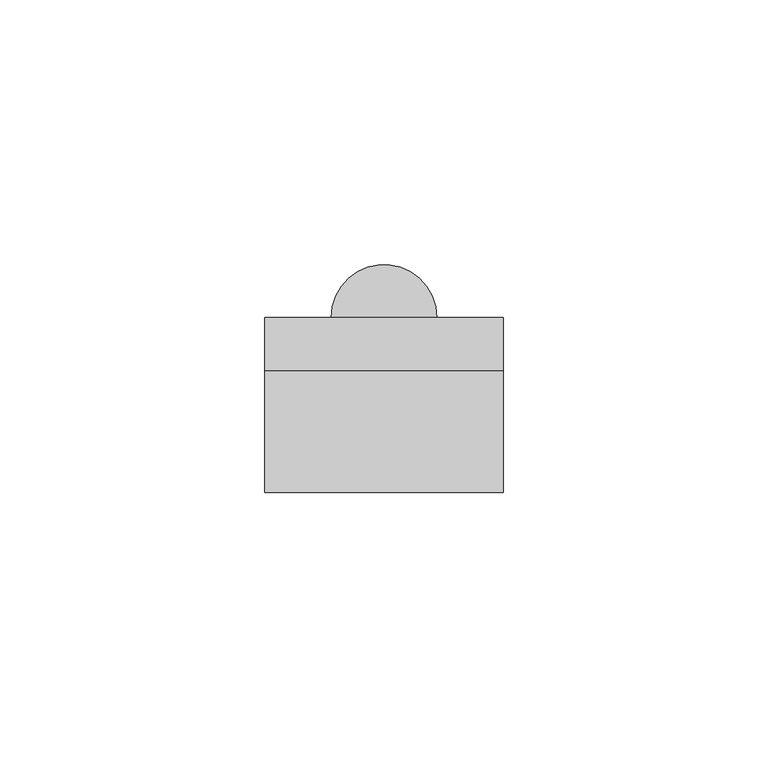
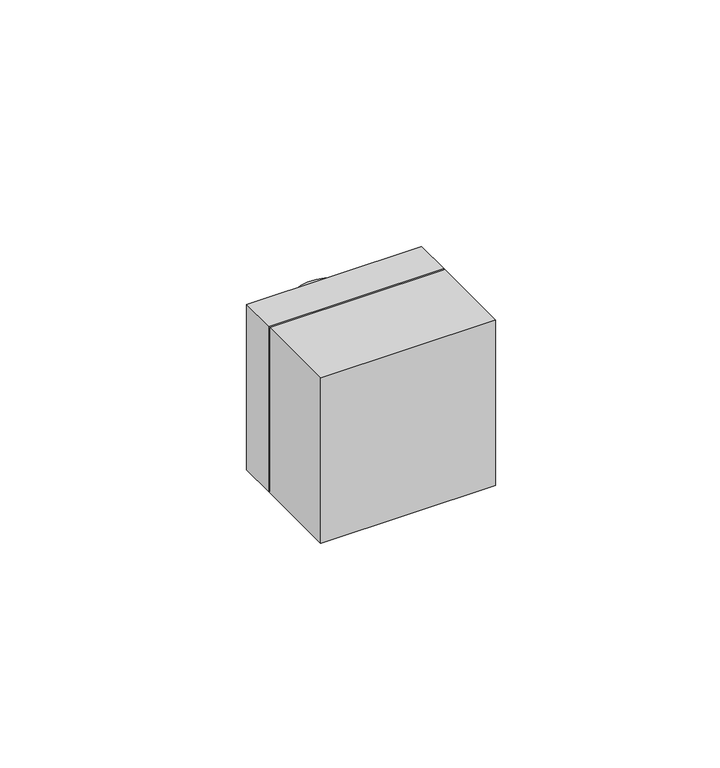
"""IFC4 building model written with IfcOpenShell, lengths in millimetres: switching device geometry."""

from ifc_helpers import new_model, si_unit, point, frame, frame_2d, origin, place, context, project, spatial, polyline, circle_curve, trimmed, segment, composite_curve, outline, extrude, source, transform, mapped, element, save
from ifc_brep_helpers import plane_surface, cylinder_surface, advanced_brep


def switching_device_c1281411(model_context):
    return source(origin(), model_context, "Body", "SolidModel", [
        advanced_brep(
        [(22.5, 10.0, 22.5), (22.5, 10.0, -22.5), (-22.5, 10.0, -22.5), (-22.5, 10.0, 22.5), (10.0, 10.0, 15.0), (-10.0, 10.0, 15.0), (-10.0, 10.0, 13.0), (10.0, 10.0, 13.0), (10.0, 10.0, -2.9970115), (-10.0, 10.0, -2.9970115), (-10.0, 10.0, -5.0), (10.0, 10.0, -5.0), (22.5, 0.0, 22.5), (-22.5, 0.0, 22.5), (-22.5, 0.0, -22.5), (22.5, 0.0, -22.5)],
        [
            (0, 1),
            (1, 2),
            (2, 3),
            (3, 0),
            (4, 5),
            (5, 6),
            (6, 7),
            (7, 4),
            (8, 9),
            (9, 10),
            (10, 11),
            (11, 8),
            (12, 13),
            (13, 14),
            (14, 15),
            (15, 12),
            (3, 13),
            (12, 0),
            (2, 14),
            (1, 15),
            (4, 5, circle_curve(frame((0.0, 10.0, 15.0), z_axis=(0.0, 0.0, 1.0), x_axis=(1.0, 0.0, 0.0)), 10.0)),
            (6, 7, circle_curve(frame((0.0, 10.0, 13.0), z_axis=(0.0, 0.0, -1.0), x_axis=(1.0, 0.0, 0.0)), 10.0)),
            (8, 9, circle_curve(frame((0.0, 10.0, -2.9970115), z_axis=(0.0, 0.0, 1.0), x_axis=(1.0, 0.0, 0.0)), 10.0)),
            (10, 11, circle_curve(frame((0.0, 10.0, -5.0), z_axis=(0.0, 0.0, -1.0), x_axis=(1.0, 0.0, 0.0)), 10.0)),
        ],
        [
            plane_surface(frame((-39.0, 10.0, 22.5), z_axis=(0.0, 1.0, 0.0), x_axis=(1.0, 0.0, 0.0))),
            plane_surface(frame((-39.0, 0.0, 22.5), z_axis=(0.0, -1.0, 0.0), x_axis=(-1.0, 0.0, 0.0))),
            plane_surface(frame((22.5, 0.0, 22.5), z_axis=(0.0, 0.0, 1.0), x_axis=(0.0, 1.0, 0.0))),
            plane_surface(frame((-22.5, 0.0, 22.5), z_axis=(-1.0, 0.0, 0.0), x_axis=(0.0, 1.0, 0.0))),
            plane_surface(frame((-22.5, 0.0, -22.5), z_axis=(0.0, 0.0, -1.0), x_axis=(0.0, 1.0, 0.0))),
            plane_surface(frame((22.5, 0.0, -22.5), z_axis=(1.0, 0.0, 0.0), x_axis=(0.0, 1.0, 0.0))),
            plane_surface(frame((10.0, 10.0, 15.0), z_axis=(0.0, 0.0, 1.0), x_axis=(0.0, 1.0, 0.0))),
            plane_surface(frame((10.0, 10.0, 13.0), z_axis=(0.0, 0.0, -1.0), x_axis=(0.0, -1.0, 0.0))),
            cylinder_surface(frame((0.0, 10.0, 13.0), z_axis=(0.0, 0.0, 1.0), x_axis=(1.0, 0.0, 0.0)), 10.0),
            plane_surface(frame((10.0, 10.0, -2.9970115), z_axis=(0.0, 0.0, 1.0), x_axis=(0.0, 1.0, 0.0))),
            plane_surface(frame((10.0, 10.0, -5.0), z_axis=(0.0, 0.0, -1.0), x_axis=(0.0, -1.0, 0.0))),
            cylinder_surface(frame((0.0, 10.0, -5.0), z_axis=(0.0, 0.0, 1.0), x_axis=(1.0, 0.0, 0.0)), 10.0),
        ],
        [
            (0, [[1, 2, 3, 4], [5, 6, 7, 8], [9, 10, 11, 12]]),
            (1, [[13, 14, 15, 16]]),
            (2, [[-4, 17, -13, 18]]),
            (3, [[-3, 19, -14, -17]]),
            (4, [[-2, 20, -15, -19]]),
            (5, [[-1, -18, -16, -20]]),
            (6, [[21, -5]]),
            (7, [[22, -7]]),
            (8, [[-21, -8, -22, -6]]),
            (9, [[23, -9]]),
            (10, [[24, -11]]),
            (11, [[-23, -12, -24, -10]]),
        ],
    ),
        extrude(outline(composite_curve([segment(polyline([(10.0, 10.0), (-10.0, 10.0)]), True, "CONTINUOUS"), segment(trimmed(circle_curve(frame_2d((0.0, 10.0)), 10.0), [point((-10.0, 10.0))], [point((10.0, 10.0))], False, "CARTESIAN"), True, "CONTINUOUS")], self_intersect=False)), frame((0.0, 0.0, -2.9970115), z_axis=(0.0, 0.0, 1.0), x_axis=(1.0, 0.0, 0.0)), (0.0, 0.0, 1.0), 15.9970115),
        extrude(outline(polyline([(22.5, -23.0), (-22.5, -23.0), (-22.5, 0.0), (22.5, 0.0), (22.5, -23.0)])), frame((0.0, 0.0, -22.5), z_axis=(0.0, 0.0, 1.0), x_axis=(1.0, 0.0, 0.0)), (0.0, 0.0, 1.0), 45.0),
    ])


if __name__ == "__main__":
    model = new_model("IFC4")
    model_context = context("Model", 3, world=origin())
    ifc_project = project(units=[si_unit("LENGTHUNIT", "METRE", prefix="MILLI")], contexts=[model_context])
    site = spatial("IfcSite", under=ifc_project)
    building = spatial("IfcBuilding", under=site)
    placement = place(None, origin())
    switching_device_shape = switching_device_c1281411(model_context)
    element("IfcSwitchingDevice", 1, at=placement, inside=building, context=model_context, shape_type="MappedRepresentation", body=[
        mapped(switching_device_shape, transform((0.0, 0.0, 0.0), x_axis=(1.0, 0.0, 0.0), y_axis=(0.0, 1.0, 0.0), z_axis=(0.0, 0.0, 1.0))),
    ])
    save(model, "model.ifc")
